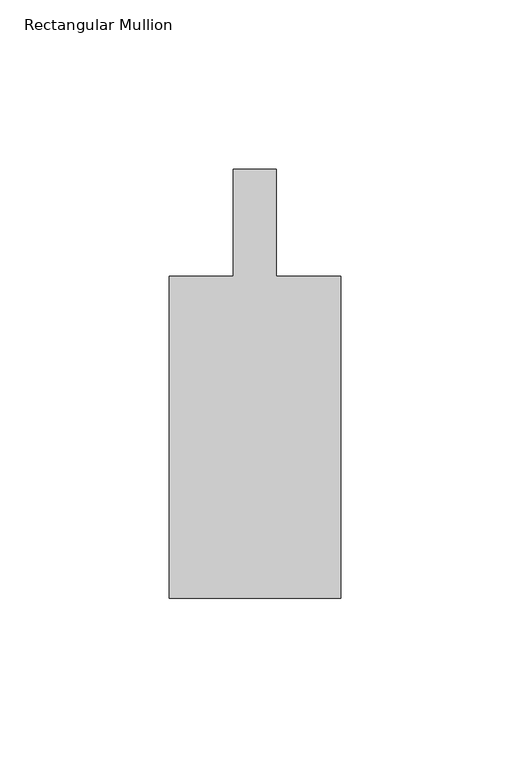
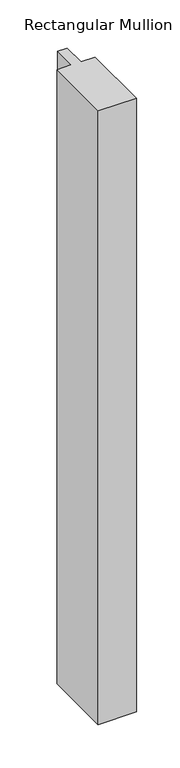
"""IFC4 building model written with IfcOpenShell, lengths in millimetres: member geometry, Rectangular Mullion."""

import ifcopenshell
import ifcopenshell.guid

model = None  # the IFC model being written
_history = None  # IfcOwnerHistory: only IFC2X3 demands one
_inside = {}  # id of a spatial element -> (the spatial element, [elements in it])
_under = {}  # id of a project, library or spatial element -> (it, [spatial elements below it])
_declared = {}  # id of a project -> (the project, [libraries it declares])
_typed = {}  # id of a type object -> (the type object, [elements of that type])
_made_of = {}  # id of a material, layer set ... -> (it, [elements and type objects made of it])


def new_model(schema):
    """Start an empty IFC model of exactly this schema.

    Asked for "IFC4X3", IfcOpenShell would pick the latest addendum, in which some entities
    have other attributes; the version numbers below select the first issue.
    IFC2X3 requires an IfcOwnerHistory on every rooted entity: one is made here for all.
    """
    global model, _history
    if schema == "IFC4X3":
        model = ifcopenshell.file(schema_version=(4, 3, 0, 0))
    else:
        model = ifcopenshell.file(schema=schema)
    _inside.clear()
    _under.clear()
    _declared.clear()
    _typed.clear()
    _made_of.clear()
    _history = None
    if model.schema == "IFC2X3":
        org = make("IfcOrganization", Name="unknown")
        user = make(
            "IfcPersonAndOrganization",
            ThePerson=make("IfcPerson", FamilyName="unknown"),
            TheOrganization=org,
        )
        app = make(
            "IfcApplication",
            ApplicationDeveloper=org,
            Version="unknown",
            ApplicationFullName="unknown",
            ApplicationIdentifier="unknown",
        )
        _history = make(
            "IfcOwnerHistory",
            OwningUser=user,
            OwningApplication=app,
            ChangeAction="ADDED",
            CreationDate=0,
        )
    return model


def make(cls, **values):
    """One entity of the class cls with the attributes given. An attribute that is None is left unset."""
    return model.create_entity(
        cls, **{name: value for name, value in values.items() if value is not None}
    )


def rooted(cls, **values):
    """An entity with a GlobalId (a new one), such as an element, a storey or a relation."""
    return make(cls, GlobalId=ifcopenshell.guid.new(), OwnerHistory=_history, **values)


def si_unit(unit_type, name, prefix=None):
    """IfcSIUnit, for example si_unit("LENGTHUNIT", "METRE", prefix="MILLI")."""
    return make("IfcSIUnit", UnitType=unit_type, Prefix=prefix, Name=name)


def assignment(units):
    """IfcUnitAssignment: the units of a project."""
    return None if units is None else make("IfcUnitAssignment", Units=units)


def point(xyz):
    """IfcCartesianPoint."""
    return None if xyz is None else make("IfcCartesianPoint", Coordinates=xyz)


def direction(xyz):
    """IfcDirection."""
    return None if xyz is None else make("IfcDirection", DirectionRatios=xyz)


def frame(location, z_axis=None, x_axis=None):
    """IfcAxis2Placement3D, a coordinate frame: its origin and axes. An axis left out is left unset."""
    return make(
        "IfcAxis2Placement3D",
        Location=point(location),
        Axis=direction(z_axis),
        RefDirection=direction(x_axis),
    )


def origin():
    """The frame at (0, 0, 0) with its axes left unset."""
    return frame((0.0, 0.0, 0.0))


def place(relative_to, where):
    """IfcLocalPlacement: puts the frame where relative to a parent placement (None: the world)."""
    return make(
        "IfcLocalPlacement", PlacementRelTo=relative_to, RelativePlacement=where
    )


def context(
    kind, dimensions, precision=None, world=None, true_north=None, identifier=None
):
    """IfcGeometricRepresentationContext, for example the 3D "Model" context."""
    return make(
        "IfcGeometricRepresentationContext",
        ContextIdentifier=identifier,
        ContextType=kind,
        CoordinateSpaceDimension=dimensions,
        Precision=precision,
        WorldCoordinateSystem=world,
        TrueNorth=true_north,
    )


def project(units=None, contexts=None):
    """IfcProject with its units and contexts."""
    return rooted(
        "IfcProject",
        Name="project",
        RepresentationContexts=contexts,
        UnitsInContext=assignment(units),
    )


def spatial(cls, under=None, at=None, **own):
    """A site, building, storey or space (cls), placed at a placement, below another one or the project."""
    s = rooted(cls, ObjectPlacement=at, **own)
    if under is not None:
        _under.setdefault(under.id(), (under, []))[1].append(s)
    return s


def polyline(points):
    """IfcPolyline through the points."""
    return make("IfcPolyline", Points=[point(p) for p in points])


def outline(outer, holes=None, kind="AREA"):
    """IfcArbitraryClosedProfileDef: a profile drawn as a closed curve; with holes, ...WithVoids."""
    if holes is None:
        return make("IfcArbitraryClosedProfileDef", ProfileType=kind, OuterCurve=outer)
    return make(
        "IfcArbitraryProfileDefWithVoids",
        ProfileType=kind,
        OuterCurve=outer,
        InnerCurves=holes,
    )


def extrude(swept, where, along, depth):
    """IfcExtrudedAreaSolid: the profile swept, set in the frame where, extruded along a direction by depth."""
    return make(
        "IfcExtrudedAreaSolid",
        SweptArea=swept,
        Position=where,
        ExtrudedDirection=direction(along),
        Depth=depth,
    )


def shape(context_of_items, identifier, shape_type, items):
    """IfcShapeRepresentation: the items that make up one representation, for example the "Body"."""
    return make(
        "IfcShapeRepresentation",
        ContextOfItems=context_of_items,
        RepresentationIdentifier=identifier,
        RepresentationType=shape_type,
        Items=items,
    )


def source(mapping_origin, context_of_items, identifier, shape_type, items):
    """IfcRepresentationMap: a shape defined once, which mapped items show again and again."""
    return make(
        "IfcRepresentationMap",
        MappingOrigin=mapping_origin,
        MappedRepresentation=shape(context_of_items, identifier, shape_type, items),
    )


def transform(
    local_origin,
    x_axis=None,
    y_axis=None,
    z_axis=None,
    scale=None,
    scale2=None,
    scale3=None,
    uniform=True,
):
    """IfcCartesianTransformationOperator3D, or its non-uniform kind. x_axis, y_axis, z_axis: its Axis1, 2, 3."""
    if uniform:
        return make(
            "IfcCartesianTransformationOperator3D",
            Axis1=direction(x_axis),
            Axis2=direction(y_axis),
            LocalOrigin=point(local_origin),
            Scale=scale,
            Axis3=direction(z_axis),
        )
    return make(
        "IfcCartesianTransformationOperator3DnonUniform",
        Axis1=direction(x_axis),
        Axis2=direction(y_axis),
        LocalOrigin=point(local_origin),
        Scale=scale,
        Axis3=direction(z_axis),
        Scale2=scale2,
        Scale3=scale3,
    )


def mapped(mapping_source, mapping_target):
    """IfcMappedItem: shows the shape of a source again, moved by a transform."""
    return make(
        "IfcMappedItem", MappingSource=mapping_source, MappingTarget=mapping_target
    )


def made_of(thing, what):
    """Note that an element or type object is made of a material, layer set ...; save() writes the relation."""
    if what is not None:
        _made_of.setdefault(what.id(), (what, []))[1].append(thing)
    return thing


def element(
    cls,
    number,
    at=None,
    inside=None,
    cuts=None,
    type_object=None,
    material=None,
    context=None,
    identifier="Body",
    shape_type=None,
    held_by="IfcProductDefinitionShape",
    body=None,
    shapes=None,
    **own,
):
    """One element of the class cls, such as IfcWall. Its Tag is "e" and its number.

    at: its placement. inside: the storey or other place that contains it. cuts: it is an
    opening in that element (IfcRelVoidsElement). A single representation is given by context,
    identifier, shape_type and body (its items); several are given by shapes. held_by: the class
    of the entity that holds the representations. save() writes the other relations.
    """
    e = rooted(cls, Tag="e%d" % number, ObjectPlacement=at, **own)
    if body is not None:
        shapes = [shape(context, identifier, shape_type, body)]
    if shapes is not None:
        e.Representation = make(held_by, Representations=shapes)
    if inside is not None:
        _inside.setdefault(inside.id(), (inside, []))[1].append(e)
    if cuts is not None:
        rooted(
            "IfcRelVoidsElement", RelatingBuildingElement=cuts, RelatedOpeningElement=e
        )
    if type_object is not None:
        _typed.setdefault(type_object.id(), (type_object, []))[1].append(e)
    return made_of(e, material)


def aggregate(whole, parts):
    """IfcRelAggregates: a whole, such as a stair, and the parts it consists of."""
    return rooted("IfcRelAggregates", RelatingObject=whole, RelatedObjects=parts)


def save(model, path):
    """Write the relations noted so far, then the file.

    IfcRelAggregates (storeys below a building ...), IfcRelContainedInSpatialStructure (elements
    in a storey), IfcRelDefinesByType, IfcRelAssociatesMaterial and IfcRelDeclares: one each for
    every whole, place, type object, material and project.
    """
    for whole, parts in _under.values():
        aggregate(whole, parts)
    for where, things in _inside.values():
        rooted(
            "IfcRelContainedInSpatialStructure",
            RelatedElements=things,
            RelatingStructure=where,
        )
    for kind, things in _typed.values():
        rooted("IfcRelDefinesByType", RelatedObjects=things, RelatingType=kind)
    for what, things in _made_of.values():
        rooted("IfcRelAssociatesMaterial", RelatedObjects=things, RelatingMaterial=what)
    for by, libraries in _declared.values():
        rooted("IfcRelDeclares", RelatingContext=by, RelatedDefinitions=libraries)
    model.write(path)


def rectangular_mullion_d2ce0440(model_context):
    return source(origin(), model_context, "Body", "SweptSolid", [
        extrude(outline(polyline([(25.400584, -152.3998856), (-25.399416, -152.3998856), (-25.399416, -57.1498856), (-6.349416, -57.1498856), (-6.349416, -25.3998089), (6.350584, -25.3998089), (6.350584, -57.1500024), (25.400584, -57.1500024), (25.400584, -152.3998856)])), frame((0.0, 0.0, -863.6), z_axis=(0.0, 0.0, 1.0), x_axis=(1.0, 0.0, 0.0)), (0.0, 0.0, 1.0), 863.6),
    ])


if __name__ == "__main__":
    model = new_model("IFC4")
    model_context = context("Model", 3, world=origin())
    ifc_project = project(units=[si_unit("LENGTHUNIT", "METRE", prefix="MILLI")], contexts=[model_context])
    site = spatial("IfcSite", under=ifc_project)
    building = spatial("IfcBuilding", under=site)
    placement = place(None, origin())
    rectangular_mullion_shape = rectangular_mullion_d2ce0440(model_context)
    element("IfcMember", 1, ObjectType="Rectangular Mullion", at=placement, inside=building, context=model_context, shape_type="MappedRepresentation", body=[
        mapped(rectangular_mullion_shape, transform((0.0, 0.0, 0.0), x_axis=(1.0, 0.0, 0.0), y_axis=(0.0, 1.0, 0.0), z_axis=(0.0, 0.0, 1.0))),
    ])
    save(model, "model.ifc")
